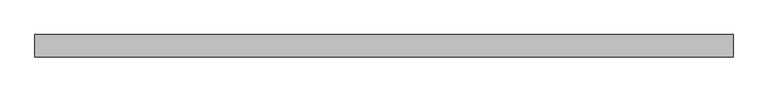
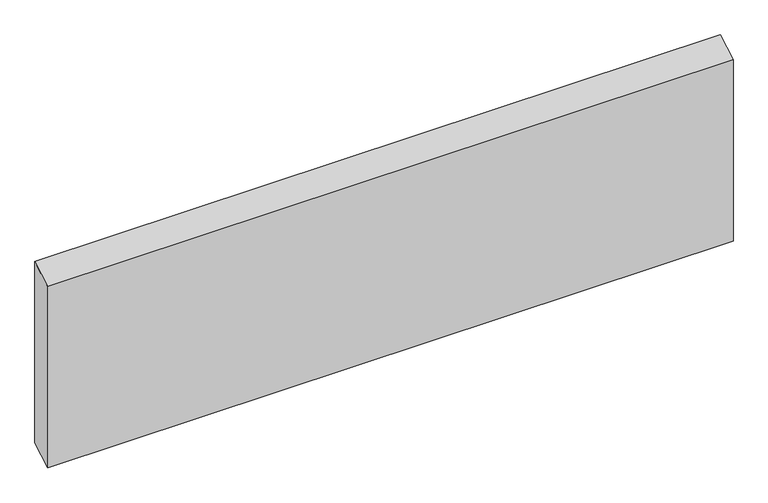
"""IFC4 building model written with IfcOpenShell, lengths in millimetres: beam geometry."""

from ifc_helpers import new_model, si_unit, frame, origin, place, context, project, spatial, polyline, outline, extrude, source, transform, mapped, element, save


def beam_4df6a7cc(model_context):
    return source(origin(), model_context, "Body", "SweptSolid", [
        extrude(outline(polyline([(19.05, 176.5194112), (19.05, -154.2944112), (-19.05, -176.5194112), (-19.05, 154.2944112), (19.05, 176.5194112)])), frame((-590.55, 0.0, 0.0), z_axis=(1.0, 0.0, 0.0), x_axis=(0.0, 1.0, 0.0)), (0.0, 0.0, 1.0), 1181.1),
    ])


if __name__ == "__main__":
    model = new_model("IFC4")
    model_context = context("Model", 3, world=origin())
    ifc_project = project(units=[si_unit("LENGTHUNIT", "METRE", prefix="MILLI")], contexts=[model_context])
    site = spatial("IfcSite", under=ifc_project)
    building = spatial("IfcBuilding", under=site)
    placement = place(None, origin())
    beam_shape = beam_4df6a7cc(model_context)
    element("IfcBeam", 1, at=placement, inside=building, context=model_context, shape_type="MappedRepresentation", body=[
        mapped(beam_shape, transform((0.0, 0.0, 0.0), x_axis=(1.0, 0.0, 0.0), y_axis=(0.0, 1.0, 0.0), z_axis=(0.0, 0.0, 1.0))),
    ])
    save(model, "model.ifc")
